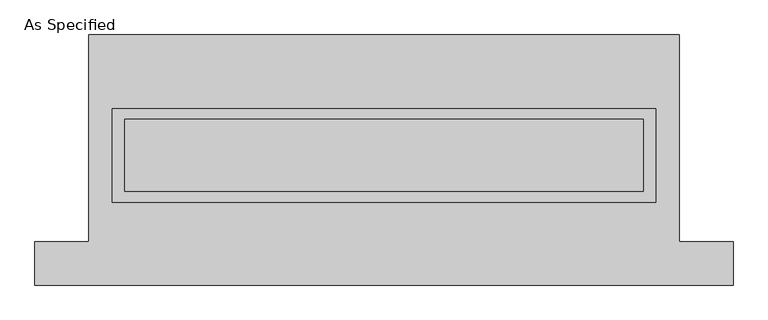
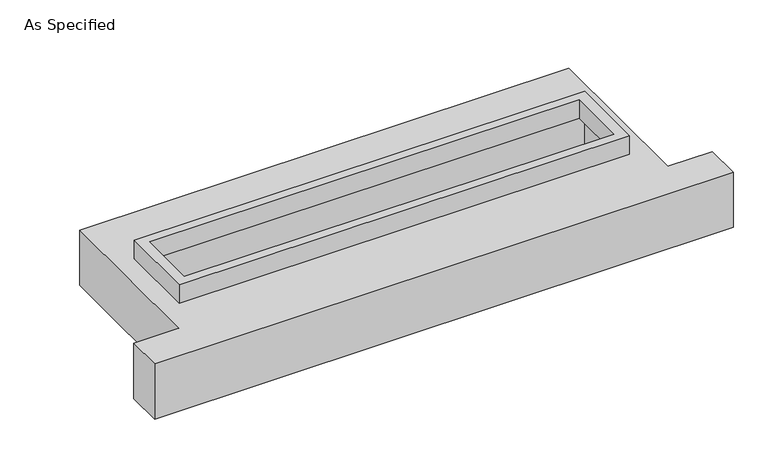
"""IFC4 building model written with IfcOpenShell, lengths in millimetres: proxy geometry, As Specified."""

from ifc_helpers import new_model, si_unit, frame, origin, place, context, project, spatial, polyline, outline, extrude, faceted_brep, source, transform, mapped, element, save


def as_specified_3281d22b(model_context):
    return source(origin(), model_context, "Body", "SolidModel", [
        extrude(outline(polyline([(1917.7, 361.95), (1917.7, -298.45), (-1917.7, -298.45), (-1917.7, 361.95), (1917.7, 361.95)]), holes=[polyline([(1828.8, 285.75), (-1828.8, 285.75), (-1828.8, -222.25), (1828.8, -222.25), (1828.8, 285.75)])]), frame((0.0, 0.0, -25.4), z_axis=(0.0, 0.0, 1.0), x_axis=(1.0, 0.0, 0.0)), (0.0, 0.0, 1.0), 165.1),
        faceted_brep([(-2082.8, 882.65, -523.875), (2082.8, 882.65, -523.875), (2082.8, -577.85, -523.875), (2463.8, -577.85, -523.875), (2463.8, -882.65, -523.875), (-2463.8, -882.65, -523.875), (-2463.8, -577.85, -523.875), (-2082.8, -577.85, -523.875), (2082.8, 882.65, -25.4), (-2082.8, 882.65, -25.4), (-2082.8, -577.85, -25.4), (-2463.8, -577.85, -25.4), (-2463.8, -882.65, -25.4), (2463.8, -882.65, -25.4), (2463.8, -577.85, -25.4), (2082.8, -577.85, -25.4), (-1917.7, -298.45, -25.4), (-1917.7, 361.95, -25.4), (1917.7, 361.95, -25.4), (1917.7, -298.45, -25.4), (1917.7, 361.95, -498.475), (-1917.7, 361.95, -498.475), (-1917.7, -298.45, -498.475), (1917.7, -298.45, -498.475)], [[[0, 1, 2, 3, 4, 5, 6, 7]], [[8, 9, 10, 11, 12, 13, 14, 15], [16, 17, 18, 19]], [[1, 0, 9, 8]], [[9, 0, 7, 10]], [[1, 8, 15, 2]], [[20, 21, 22, 23]], [[22, 21, 17, 16]], [[21, 20, 18, 17]], [[20, 23, 19, 18]], [[23, 22, 16, 19]], [[5, 4, 13, 12]], [[3, 2, 15, 14]], [[4, 3, 14, 13]], [[7, 6, 11, 10]], [[6, 5, 12, 11]]]),
    ])


if __name__ == "__main__":
    model = new_model("IFC4")
    model_context = context("Model", 3, world=origin())
    ifc_project = project(units=[si_unit("LENGTHUNIT", "METRE", prefix="MILLI")], contexts=[model_context])
    site = spatial("IfcSite", under=ifc_project)
    building = spatial("IfcBuilding", under=site)
    placement = place(None, origin())
    as_specified_shape = as_specified_3281d22b(model_context)
    element("IfcBuildingElementProxy", 1, Name="As Specified", ObjectType="As Specified", at=placement, inside=building, context=model_context, shape_type="MappedRepresentation", body=[
        mapped(as_specified_shape, transform((0.0, 0.0, 0.0), x_axis=(1.0, 0.0, 0.0), y_axis=(0.0, 1.0, 0.0), z_axis=(0.0, 0.0, 1.0))),
    ])
    save(model, "model.ifc")
